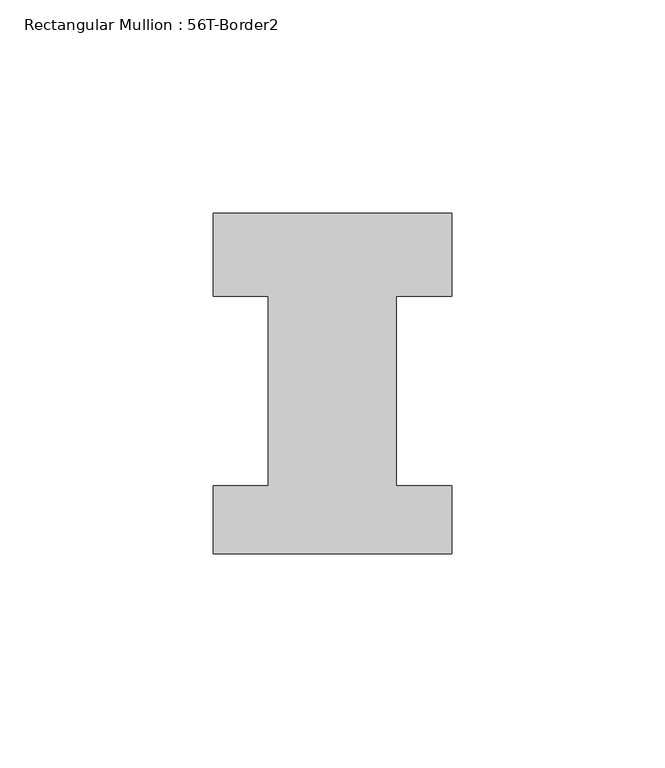
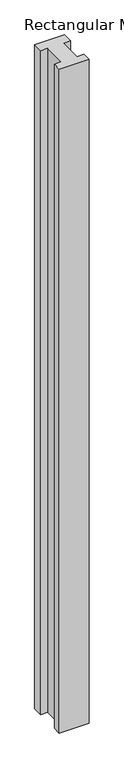
"""IFC4 building model written with IfcOpenShell, lengths in millimetres: member geometry, Rectangular Mullion : 56T-Border2."""

from ifc_helpers import new_model, si_unit, frame, origin, place, context, project, spatial, polyline, outline, extrude, source, transform, mapped, element, save


def rectangular_mullion_56t_border2_81950228(model_context):
    return source(origin(), model_context, "Body", "SweptSolid", [
        extrude(outline(polyline([(0.0, 20.0), (0.0, 0.5), (-13.0, 0.5), (-13.0, -44.0), (0.0, -44.0), (0.0, -60.0), (-56.0, -60.0), (-56.0, -44.0), (-43.0, -44.0), (-43.0, 0.5), (-56.0, 0.5), (-56.0, 20.0), (0.0, 20.0)])), frame((0.0, 0.0, -1322.465707), z_axis=(0.0, 0.0, 1.0), x_axis=(1.0, 0.0, 0.0)), (0.0, 0.0, 1.0), 1322.465707),
    ])


if __name__ == "__main__":
    model = new_model("IFC4")
    model_context = context("Model", 3, world=origin())
    ifc_project = project(units=[si_unit("LENGTHUNIT", "METRE", prefix="MILLI")], contexts=[model_context])
    site = spatial("IfcSite", under=ifc_project)
    building = spatial("IfcBuilding", under=site)
    placement = place(None, origin())
    rectangular_mullion_56t_border2_shape = rectangular_mullion_56t_border2_81950228(model_context)
    element("IfcMember", 1, ObjectType="Rectangular Mullion : 56T-Border2", at=placement, inside=building, context=model_context, shape_type="MappedRepresentation", body=[
        mapped(rectangular_mullion_56t_border2_shape, transform((0.0, 0.0, 0.0), x_axis=(1.0, 0.0, 0.0), y_axis=(0.0, 1.0, 0.0), z_axis=(0.0, 0.0, 1.0))),
    ])
    save(model, "model.ifc")
